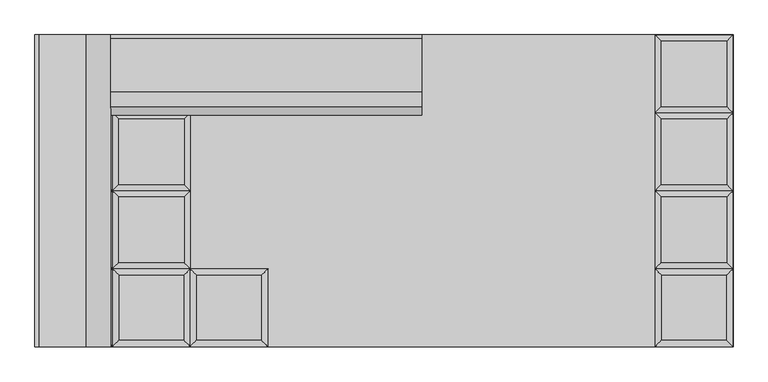
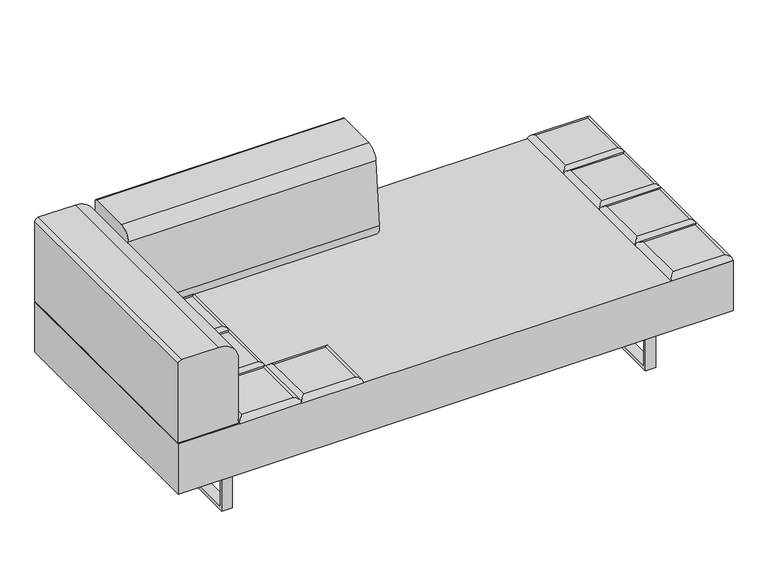
"""IFC4 building model written with IfcOpenShell, lengths in millimetres: furniture geometry."""

from ifc_helpers import new_model, si_unit, point, frame, frame_2d, origin, place, context, project, spatial, polyline, circle_curve, ellipse_curve, trimmed, segment, composite_curve, outline, extrude, source, transform, mapped, element, save
from ifc_brep_helpers import plane_surface, cylinder_surface, advanced_brep


def furniture_291711d4(model_context):
    return source(origin(), model_context, "Body", "SolidModel", [
        advanced_brep(
        [(-330.2, -222.25, 393.7), (-348.1605122, -240.2105122, 411.6605122), (-348.1605122, -426.5394878, 411.6605122), (-330.2, -444.5, 393.7), (-534.4894878, -426.5394878, 411.6605122), (-552.45, -444.5, 393.7), (-534.4894878, -240.2105122, 411.6605122), (-552.45, -222.25, 393.7)],
        [
            (0, 1, ellipse_curve(frame((-348.1605122, -240.2105122, 393.7), z_axis=(0.7071067811865475, -0.7071067811865475, 0.0), x_axis=(0.7071067811865474, 0.7071067811865476, 0.0)), 25.4, 17.9605122)),
            (1, 2),
            (2, 3, ellipse_curve(frame((-348.1605122, -426.5394878, 393.7), z_axis=(0.7071067811865475, 0.7071067811865475, 0.0), x_axis=(-0.7071067811865474, 0.7071067811865476, 0.0)), 25.4, 17.9605122)),
            (3, 0),
            (2, 4),
            (4, 5, ellipse_curve(frame((-534.4894878, -426.5394878, 393.7), z_axis=(0.7071067811865475, -0.7071067811865475, 0.0), x_axis=(0.7071067811865476, 0.7071067811865474, 0.0)), 25.4, 17.9605122)),
            (5, 3),
            (4, 6),
            (6, 7, ellipse_curve(frame((-534.4894878, -240.2105122, 393.7), z_axis=(-0.7071067811865475, -0.7071067811865475, 0.0), x_axis=(0.7071067811865474, -0.7071067811865476, 0.0)), 25.4, 17.9605122)),
            (7, 5),
            (0, 7),
            (6, 1),
        ],
        [
            cylinder_surface(frame((-348.1605122, -222.25, 393.7), z_axis=(0.0, 1.0, 0.0), x_axis=(1.0, 0.0, 0.0)), 17.9605122),
            cylinder_surface(frame((-330.2, -426.5394878, 393.7), z_axis=(1.0, 0.0, 0.0), x_axis=(0.0, -1.0, 0.0)), 17.9605122),
            cylinder_surface(frame((-534.4894878, -444.5, 393.7), z_axis=(0.0, -1.0, 0.0), x_axis=(-1.0, 0.0, 0.0)), 17.9605122),
            cylinder_surface(frame((-552.45, -240.2105122, 393.7), z_axis=(-1.0, 0.0, 0.0), x_axis=(0.0, 1.0, 0.0)), 17.9605122),
            plane_surface(frame((-552.45, -222.25, 393.7), z_axis=(0.0, 0.0, -1.0), x_axis=(1.0, 0.0, 0.0))),
            plane_surface(frame((-534.4894878, -240.2105122, 411.6605122), z_axis=(0.0, 0.0, 1.0), x_axis=(-1.0, 0.0, 0.0))),
        ],
        [
            (0, [[1, 2, 3, 4]]),
            (1, [[-3, 5, 6, 7]]),
            (2, [[-6, 8, 9, 10]]),
            (3, [[-1, 11, -9, 12]]),
            (4, [[-4, -7, -10, -11]]),
            (5, [[-2, -12, -8, -5]]),
        ],
    ),
        advanced_brep(
        [(-568.8230122, -204.2894878, 411.6605122), (-568.8230122, -17.9605122, 411.6605122), (-755.1519878, -17.9605122, 411.6605122), (-755.1519878, -204.2894878, 411.6605122), (-550.8625, 0.0, 393.7), (-550.8625, -222.25, 393.7), (-773.1125, -222.25, 393.7), (-773.1125, 0.0, 393.7)],
        [
            (0, 1),
            (1, 2),
            (2, 3),
            (3, 0),
            (4, 5),
            (5, 6),
            (6, 7),
            (7, 4),
            (4, 1, ellipse_curve(frame((-568.8230122, -17.9605122, 393.7), z_axis=(0.7071067811865475, -0.7071067811865475, 0.0), x_axis=(0.7071067811865474, 0.7071067811865476, 0.0)), 25.4, 17.9605122)),
            (0, 5, ellipse_curve(frame((-568.8230122, -204.2894878, 393.7), z_axis=(0.7071067811865475, 0.7071067811865475, 0.0), x_axis=(-0.7071067811865474, 0.7071067811865476, 0.0)), 25.4, 17.9605122)),
            (3, 6, ellipse_curve(frame((-755.1519878, -204.2894878, 393.7), z_axis=(0.7071067811865475, -0.7071067811865475, 0.0), x_axis=(0.7071067811865476, 0.7071067811865474, 0.0)), 25.4, 17.9605122)),
            (2, 7, ellipse_curve(frame((-755.1519878, -17.9605122, 393.7), z_axis=(-0.7071067811865475, -0.7071067811865475, 0.0), x_axis=(0.7071067811865474, -0.7071067811865476, 0.0)), 25.4, 17.9605122)),
        ],
        [
            plane_surface(frame((-755.1519878, -17.9605122, 411.6605122), z_axis=(0.0, 0.0, 1.0), x_axis=(-1.0, 0.0, 0.0))),
            plane_surface(frame((-755.1519878, -17.9605122, 393.7), z_axis=(0.0, 0.0, -1.0), x_axis=(1.0, 0.0, 0.0))),
            cylinder_surface(frame((-568.8230122, 0.0, 393.7), z_axis=(0.0, 1.0, 0.0), x_axis=(1.0, 0.0, 0.0)), 17.9605122),
            cylinder_surface(frame((-550.8625, -204.2894878, 393.7), z_axis=(1.0, 0.0, 0.0), x_axis=(0.0, -1.0, 0.0)), 17.9605122),
            cylinder_surface(frame((-755.1519878, -222.25, 393.7), z_axis=(0.0, -1.0, 0.0), x_axis=(-1.0, 0.0, 0.0)), 17.9605122),
            cylinder_surface(frame((-773.1125, -17.9605122, 393.7), z_axis=(-1.0, 0.0, 0.0), x_axis=(0.0, 1.0, 0.0)), 17.9605122),
        ],
        [
            (0, [[1, 2, 3, 4]]),
            (1, [[5, 6, 7, 8]]),
            (2, [[9, -1, 10, -5]]),
            (3, [[-10, -4, 11, -6]]),
            (4, [[-11, -3, 12, -7]]),
            (5, [[-9, -8, -12, -2]]),
        ],
    ),
        advanced_brep(
        [(-568.8230122, 17.9605122, 411.6605122), (-568.8230122, 204.2894878, 411.6605122), (-755.1519878, 204.2894878, 411.6605122), (-755.1519878, 17.9605122, 411.6605122), (-550.8625, 222.25, 393.7), (-550.8625, 0.0, 393.7), (-773.1125, 0.0, 393.7), (-773.1125, 222.25, 393.7)],
        [
            (0, 1),
            (1, 2),
            (2, 3),
            (3, 0),
            (4, 5),
            (5, 6),
            (6, 7),
            (7, 4),
            (4, 1, ellipse_curve(frame((-568.8230122, 204.2894878, 393.7), z_axis=(0.7071067811865475, -0.7071067811865475, 0.0), x_axis=(0.7071067811865474, 0.7071067811865476, 0.0)), 25.4, 17.9605122)),
            (0, 5, ellipse_curve(frame((-568.8230122, 17.9605122, 393.7), z_axis=(0.7071067811865475, 0.7071067811865475, 0.0), x_axis=(-0.7071067811865474, 0.7071067811865476, 0.0)), 25.4, 17.9605122)),
            (3, 6, ellipse_curve(frame((-755.1519878, 17.9605122, 393.7), z_axis=(0.7071067811865475, -0.7071067811865475, 0.0), x_axis=(0.7071067811865476, 0.7071067811865474, 0.0)), 25.4, 17.9605122)),
            (2, 7, ellipse_curve(frame((-755.1519878, 204.2894878, 393.7), z_axis=(-0.7071067811865475, -0.7071067811865475, 0.0), x_axis=(0.7071067811865474, -0.7071067811865476, 0.0)), 25.4, 17.9605122)),
        ],
        [
            plane_surface(frame((-755.1519878, 204.2894878, 411.6605122), z_axis=(0.0, 0.0, 1.0), x_axis=(-1.0, 0.0, 0.0))),
            plane_surface(frame((-755.1519878, 204.2894878, 393.7), z_axis=(0.0, 0.0, -1.0), x_axis=(1.0, 0.0, 0.0))),
            cylinder_surface(frame((-568.8230122, 222.25, 393.7), z_axis=(0.0, 1.0, 0.0), x_axis=(1.0, 0.0, 0.0)), 17.9605122),
            cylinder_surface(frame((-550.8625, 17.9605122, 393.7), z_axis=(1.0, 0.0, 0.0), x_axis=(0.0, -1.0, 0.0)), 17.9605122),
            cylinder_surface(frame((-755.1519878, 0.0, 393.7), z_axis=(0.0, -1.0, 0.0), x_axis=(-1.0, 0.0, 0.0)), 17.9605122),
            cylinder_surface(frame((-773.1125, 204.2894878, 393.7), z_axis=(-1.0, 0.0, 0.0), x_axis=(0.0, 1.0, 0.0)), 17.9605122),
        ],
        [
            (0, [[1, 2, 3, 4]]),
            (1, [[5, 6, 7, 8]]),
            (2, [[9, -1, 10, -5]]),
            (3, [[-10, -4, 11, -6]]),
            (4, [[-11, -3, 12, -7]]),
            (5, [[-9, -8, -12, -2]]),
        ],
    ),
        advanced_brep(
        [(-568.8230122, 240.2105122, 411.6605122), (-568.8230122, 426.5394878, 411.6605122), (-755.1519878, 426.5394878, 411.6605122), (-755.1519878, 240.2105122, 411.6605122), (-550.8625, 444.5, 393.7), (-550.8625, 222.25, 393.7), (-773.1125, 222.25, 393.7), (-773.1125, 444.5, 393.7)],
        [
            (0, 1),
            (1, 2),
            (2, 3),
            (3, 0),
            (4, 5),
            (5, 6),
            (6, 7),
            (7, 4),
            (4, 1, ellipse_curve(frame((-568.8230122, 426.5394878, 393.7), z_axis=(0.7071067811865475, -0.7071067811865475, 0.0), x_axis=(0.7071067811865474, 0.7071067811865476, 0.0)), 25.4, 17.9605122)),
            (0, 5, ellipse_curve(frame((-568.8230122, 240.2105122, 393.7), z_axis=(0.7071067811865475, 0.7071067811865475, 0.0), x_axis=(-0.7071067811865474, 0.7071067811865476, 0.0)), 25.4, 17.9605122)),
            (3, 6, ellipse_curve(frame((-755.1519878, 240.2105122, 393.7), z_axis=(0.7071067811865475, -0.7071067811865475, 0.0), x_axis=(0.7071067811865476, 0.7071067811865474, 0.0)), 25.4, 17.9605122)),
            (2, 7, ellipse_curve(frame((-755.1519878, 426.5394878, 393.7), z_axis=(-0.7071067811865475, -0.7071067811865475, 0.0), x_axis=(0.7071067811865474, -0.7071067811865476, 0.0)), 25.4, 17.9605122)),
        ],
        [
            plane_surface(frame((-755.1519878, 426.5394878, 411.6605122), z_axis=(0.0, 0.0, 1.0), x_axis=(-1.0, 0.0, 0.0))),
            plane_surface(frame((-755.1519878, 426.5394878, 393.7), z_axis=(0.0, 0.0, -1.0), x_axis=(1.0, 0.0, 0.0))),
            cylinder_surface(frame((-568.8230122, 444.5, 393.7), z_axis=(0.0, 1.0, 0.0), x_axis=(1.0, 0.0, 0.0)), 17.9605122),
            cylinder_surface(frame((-550.8625, 240.2105122, 393.7), z_axis=(1.0, 0.0, 0.0), x_axis=(0.0, -1.0, 0.0)), 17.9605122),
            cylinder_surface(frame((-755.1519878, 222.25, 393.7), z_axis=(0.0, -1.0, 0.0), x_axis=(-1.0, 0.0, 0.0)), 17.9605122),
            cylinder_surface(frame((-773.1125, 426.5394878, 393.7), z_axis=(-1.0, 0.0, 0.0), x_axis=(0.0, 1.0, 0.0)), 17.9605122),
        ],
        [
            (0, [[1, 2, 3, 4]]),
            (1, [[5, 6, 7, 8]]),
            (2, [[9, -1, 10, -5]]),
            (3, [[-10, -4, 11, -6]]),
            (4, [[-11, -3, 12, -7]]),
            (5, [[-9, -8, -12, -2]]),
        ],
    ),
        advanced_brep(
        [(-550.8625, -222.25, 393.7), (-568.8230122, -240.2105122, 411.6605122), (-568.8230122, -426.5394878, 411.6605122), (-550.8625, -444.5, 393.7), (-755.1519878, -426.5394878, 411.6605122), (-773.1125, -444.5, 393.7), (-755.1519878, -240.2105122, 411.6605122), (-773.1125, -222.25, 393.7)],
        [
            (0, 1, ellipse_curve(frame((-568.8230122, -240.2105122, 393.7), z_axis=(0.7071067811865475, -0.7071067811865475, 0.0), x_axis=(0.7071067811865474, 0.7071067811865476, 0.0)), 25.4, 17.9605122)),
            (1, 2),
            (2, 3, ellipse_curve(frame((-568.8230122, -426.5394878, 393.7), z_axis=(0.7071067811865475, 0.7071067811865475, 0.0), x_axis=(-0.7071067811865474, 0.7071067811865476, 0.0)), 25.4, 17.9605122)),
            (3, 0),
            (2, 4),
            (4, 5, ellipse_curve(frame((-755.1519878, -426.5394878, 393.7), z_axis=(0.7071067811865475, -0.7071067811865475, 0.0), x_axis=(0.7071067811865476, 0.7071067811865474, 0.0)), 25.4, 17.9605122)),
            (5, 3),
            (4, 6),
            (6, 7, ellipse_curve(frame((-755.1519878, -240.2105122, 393.7), z_axis=(-0.7071067811865475, -0.7071067811865475, 0.0), x_axis=(0.7071067811865474, -0.7071067811865476, 0.0)), 25.4, 17.9605122)),
            (7, 5),
            (0, 7),
            (6, 1),
        ],
        [
            cylinder_surface(frame((-568.8230122, -222.25, 393.7), z_axis=(0.0, 1.0, 0.0), x_axis=(1.0, 0.0, 0.0)), 17.9605122),
            cylinder_surface(frame((-550.8625, -426.5394878, 393.7), z_axis=(1.0, 0.0, 0.0), x_axis=(0.0, -1.0, 0.0)), 17.9605122),
            cylinder_surface(frame((-755.1519878, -444.5, 393.7), z_axis=(0.0, -1.0, 0.0), x_axis=(-1.0, 0.0, 0.0)), 17.9605122),
            cylinder_surface(frame((-773.1125, -240.2105122, 393.7), z_axis=(-1.0, 0.0, 0.0), x_axis=(0.0, 1.0, 0.0)), 17.9605122),
            plane_surface(frame((-773.1125, -222.25, 393.7), z_axis=(0.0, 0.0, -1.0), x_axis=(1.0, 0.0, 0.0))),
            plane_surface(frame((-755.1519878, -240.2105122, 411.6605122), z_axis=(0.0, 0.0, 1.0), x_axis=(-1.0, 0.0, 0.0))),
        ],
        [
            (0, [[1, 2, 3, 4]]),
            (1, [[-3, 5, 6, 7]]),
            (2, [[-6, 8, 9, 10]]),
            (3, [[-1, 11, -9, 12]]),
            (4, [[-4, -7, -10, -11]]),
            (5, [[-2, -12, -8, -5]]),
        ],
    ),
        advanced_brep(
        [(975.8144878, -204.2894878, 411.6605122), (975.8144878, -17.9605122, 411.6605122), (789.4855122, -17.9605122, 411.6605122), (789.4855122, -204.2894878, 411.6605122), (993.775, 0.0, 393.7), (993.775, -222.25, 393.7), (771.525, -222.25, 393.7), (771.525, 0.0, 393.7)],
        [
            (0, 1),
            (1, 2),
            (2, 3),
            (3, 0),
            (4, 5),
            (5, 6),
            (6, 7),
            (7, 4),
            (4, 1, ellipse_curve(frame((975.8144878, -17.9605122, 393.7), z_axis=(0.7071067811865475, -0.7071067811865475, 0.0), x_axis=(0.7071067811865474, 0.7071067811865476, 0.0)), 25.4, 17.9605122)),
            (0, 5, ellipse_curve(frame((975.8144878, -204.2894878, 393.7), z_axis=(0.7071067811865475, 0.7071067811865475, 0.0), x_axis=(-0.7071067811865474, 0.7071067811865476, 0.0)), 25.4, 17.9605122)),
            (3, 6, ellipse_curve(frame((789.4855122, -204.2894878, 393.7), z_axis=(0.7071067811865475, -0.7071067811865475, 0.0), x_axis=(0.7071067811865476, 0.7071067811865474, 0.0)), 25.4, 17.9605122)),
            (2, 7, ellipse_curve(frame((789.4855122, -17.9605122, 393.7), z_axis=(-0.7071067811865475, -0.7071067811865475, 0.0), x_axis=(0.7071067811865474, -0.7071067811865476, 0.0)), 25.4, 17.9605122)),
        ],
        [
            plane_surface(frame((789.4855122, -17.9605122, 411.6605122), z_axis=(0.0, 0.0, 1.0), x_axis=(-1.0, 0.0, 0.0))),
            plane_surface(frame((789.4855122, -17.9605122, 393.7), z_axis=(0.0, 0.0, -1.0), x_axis=(1.0, 0.0, 0.0))),
            cylinder_surface(frame((975.8144878, 0.0, 393.7), z_axis=(0.0, 1.0, 0.0), x_axis=(1.0, 0.0, 0.0)), 17.9605122),
            cylinder_surface(frame((993.775, -204.2894878, 393.7), z_axis=(1.0, 0.0, 0.0), x_axis=(0.0, -1.0, 0.0)), 17.9605122),
            cylinder_surface(frame((789.4855122, -222.25, 393.7), z_axis=(0.0, -1.0, 0.0), x_axis=(-1.0, 0.0, 0.0)), 17.9605122),
            cylinder_surface(frame((771.525, -17.9605122, 393.7), z_axis=(-1.0, 0.0, 0.0), x_axis=(0.0, 1.0, 0.0)), 17.9605122),
        ],
        [
            (0, [[1, 2, 3, 4]]),
            (1, [[5, 6, 7, 8]]),
            (2, [[9, -1, 10, -5]]),
            (3, [[-10, -4, 11, -6]]),
            (4, [[-11, -3, 12, -7]]),
            (5, [[-9, -8, -12, -2]]),
        ],
    ),
        advanced_brep(
        [(975.8144878, 17.9605122, 411.6605122), (975.8144878, 204.2894878, 411.6605122), (789.4855122, 204.2894878, 411.6605122), (789.4855122, 17.9605122, 411.6605122), (993.775, 222.25, 393.7), (993.775, 0.0, 393.7), (771.525, 0.0, 393.7), (771.525, 222.25, 393.7)],
        [
            (0, 1),
            (1, 2),
            (2, 3),
            (3, 0),
            (4, 5),
            (5, 6),
            (6, 7),
            (7, 4),
            (4, 1, ellipse_curve(frame((975.8144878, 204.2894878, 393.7), z_axis=(0.7071067811865475, -0.7071067811865475, 0.0), x_axis=(0.7071067811865474, 0.7071067811865476, 0.0)), 25.4, 17.9605122)),
            (0, 5, ellipse_curve(frame((975.8144878, 17.9605122, 393.7), z_axis=(0.7071067811865475, 0.7071067811865475, 0.0), x_axis=(-0.7071067811865474, 0.7071067811865476, 0.0)), 25.4, 17.9605122)),
            (3, 6, ellipse_curve(frame((789.4855122, 17.9605122, 393.7), z_axis=(0.7071067811865475, -0.7071067811865475, 0.0), x_axis=(0.7071067811865476, 0.7071067811865474, 0.0)), 25.4, 17.9605122)),
            (2, 7, ellipse_curve(frame((789.4855122, 204.2894878, 393.7), z_axis=(-0.7071067811865475, -0.7071067811865475, 0.0), x_axis=(0.7071067811865474, -0.7071067811865476, 0.0)), 25.4, 17.9605122)),
        ],
        [
            plane_surface(frame((789.4855122, 204.2894878, 411.6605122), z_axis=(0.0, 0.0, 1.0), x_axis=(-1.0, 0.0, 0.0))),
            plane_surface(frame((789.4855122, 204.2894878, 393.7), z_axis=(0.0, 0.0, -1.0), x_axis=(1.0, 0.0, 0.0))),
            cylinder_surface(frame((975.8144878, 222.25, 393.7), z_axis=(0.0, 1.0, 0.0), x_axis=(1.0, 0.0, 0.0)), 17.9605122),
            cylinder_surface(frame((993.775, 17.9605122, 393.7), z_axis=(1.0, 0.0, 0.0), x_axis=(0.0, -1.0, 0.0)), 17.9605122),
            cylinder_surface(frame((789.4855122, 0.0, 393.7), z_axis=(0.0, -1.0, 0.0), x_axis=(-1.0, 0.0, 0.0)), 17.9605122),
            cylinder_surface(frame((771.525, 204.2894878, 393.7), z_axis=(-1.0, 0.0, 0.0), x_axis=(0.0, 1.0, 0.0)), 17.9605122),
        ],
        [
            (0, [[1, 2, 3, 4]]),
            (1, [[5, 6, 7, 8]]),
            (2, [[9, -1, 10, -5]]),
            (3, [[-10, -4, 11, -6]]),
            (4, [[-11, -3, 12, -7]]),
            (5, [[-9, -8, -12, -2]]),
        ],
    ),
        advanced_brep(
        [(975.8144878, 240.2105122, 411.6605122), (975.8144878, 426.5394878, 411.6605122), (789.4855122, 426.5394878, 411.6605122), (789.4855122, 240.2105122, 411.6605122), (993.775, 444.5, 393.7), (993.775, 222.25, 393.7), (771.525, 222.25, 393.7), (771.525, 444.5, 393.7)],
        [
            (0, 1),
            (1, 2),
            (2, 3),
            (3, 0),
            (4, 5),
            (5, 6),
            (6, 7),
            (7, 4),
            (4, 1, ellipse_curve(frame((975.8144878, 426.5394878, 393.7), z_axis=(0.7071067811865475, -0.7071067811865475, 0.0), x_axis=(0.7071067811865474, 0.7071067811865476, 0.0)), 25.4, 17.9605122)),
            (0, 5, ellipse_curve(frame((975.8144878, 240.2105122, 393.7), z_axis=(0.7071067811865475, 0.7071067811865475, 0.0), x_axis=(-0.7071067811865474, 0.7071067811865476, 0.0)), 25.4, 17.9605122)),
            (3, 6, ellipse_curve(frame((789.4855122, 240.2105122, 393.7), z_axis=(0.7071067811865475, -0.7071067811865475, 0.0), x_axis=(0.7071067811865476, 0.7071067811865474, 0.0)), 25.4, 17.9605122)),
            (2, 7, ellipse_curve(frame((789.4855122, 426.5394878, 393.7), z_axis=(-0.7071067811865475, -0.7071067811865475, 0.0), x_axis=(0.7071067811865474, -0.7071067811865476, 0.0)), 25.4, 17.9605122)),
        ],
        [
            plane_surface(frame((789.4855122, 426.5394878, 411.6605122), z_axis=(0.0, 0.0, 1.0), x_axis=(-1.0, 0.0, 0.0))),
            plane_surface(frame((789.4855122, 426.5394878, 393.7), z_axis=(0.0, 0.0, -1.0), x_axis=(1.0, 0.0, 0.0))),
            cylinder_surface(frame((975.8144878, 444.5, 393.7), z_axis=(0.0, 1.0, 0.0), x_axis=(1.0, 0.0, 0.0)), 17.9605122),
            cylinder_surface(frame((993.775, 240.2105122, 393.7), z_axis=(1.0, 0.0, 0.0), x_axis=(0.0, -1.0, 0.0)), 17.9605122),
            cylinder_surface(frame((789.4855122, 222.25, 393.7), z_axis=(0.0, -1.0, 0.0), x_axis=(-1.0, 0.0, 0.0)), 17.9605122),
            cylinder_surface(frame((771.525, 426.5394878, 393.7), z_axis=(-1.0, 0.0, 0.0), x_axis=(0.0, 1.0, 0.0)), 17.9605122),
        ],
        [
            (0, [[1, 2, 3, 4]]),
            (1, [[5, 6, 7, 8]]),
            (2, [[9, -1, 10, -5]]),
            (3, [[-10, -4, 11, -6]]),
            (4, [[-11, -3, 12, -7]]),
            (5, [[-9, -8, -12, -2]]),
        ],
    ),
        advanced_brep(
        [(993.775, -222.25, 393.7), (975.8144878, -240.2105122, 411.6605122), (975.8144878, -426.5394878, 411.6605122), (993.775, -444.5, 393.7), (789.4855122, -426.5394878, 411.6605122), (771.525, -444.5, 393.7), (789.4855122, -240.2105122, 411.6605122), (771.525, -222.25, 393.7)],
        [
            (0, 1, ellipse_curve(frame((975.8144878, -240.2105122, 393.7), z_axis=(0.7071067811865475, -0.7071067811865475, 0.0), x_axis=(0.7071067811865474, 0.7071067811865476, 0.0)), 25.4, 17.9605122)),
            (1, 2),
            (2, 3, ellipse_curve(frame((975.8144878, -426.5394878, 393.7), z_axis=(0.7071067811865475, 0.7071067811865475, 0.0), x_axis=(-0.7071067811865474, 0.7071067811865476, 0.0)), 25.4, 17.9605122)),
            (3, 0),
            (2, 4),
            (4, 5, ellipse_curve(frame((789.4855122, -426.5394878, 393.7), z_axis=(0.7071067811865475, -0.7071067811865475, 0.0), x_axis=(0.7071067811865476, 0.7071067811865474, 0.0)), 25.4, 17.9605122)),
            (5, 3),
            (4, 6),
            (6, 7, ellipse_curve(frame((789.4855122, -240.2105122, 393.7), z_axis=(-0.7071067811865475, -0.7071067811865475, 0.0), x_axis=(0.7071067811865474, -0.7071067811865476, 0.0)), 25.4, 17.9605122)),
            (7, 5),
            (0, 7),
            (6, 1),
        ],
        [
            cylinder_surface(frame((975.8144878, -222.25, 393.7), z_axis=(0.0, 1.0, 0.0), x_axis=(1.0, 0.0, 0.0)), 17.9605122),
            cylinder_surface(frame((993.775, -426.5394878, 393.7), z_axis=(1.0, 0.0, 0.0), x_axis=(0.0, -1.0, 0.0)), 17.9605122),
            cylinder_surface(frame((789.4855122, -444.5, 393.7), z_axis=(0.0, -1.0, 0.0), x_axis=(-1.0, 0.0, 0.0)), 17.9605122),
            cylinder_surface(frame((771.525, -240.2105122, 393.7), z_axis=(-1.0, 0.0, 0.0), x_axis=(0.0, 1.0, 0.0)), 17.9605122),
            plane_surface(frame((771.525, -222.25, 393.7), z_axis=(0.0, 0.0, -1.0), x_axis=(1.0, 0.0, 0.0))),
            plane_surface(frame((789.4855122, -240.2105122, 411.6605122), z_axis=(0.0, 0.0, 1.0), x_axis=(-1.0, 0.0, 0.0))),
        ],
        [
            (0, [[1, 2, 3, 4]]),
            (1, [[-3, 5, 6, 7]]),
            (2, [[-6, 8, 9, 10]]),
            (3, [[-1, 11, -9, 12]]),
            (4, [[-4, -7, -10, -11]]),
            (5, [[-2, -12, -8, -5]]),
        ],
    ),
        advanced_brep(
        [(-789.4855122, -204.2894878, 411.6605122), (-789.4855122, -17.9605122, 411.6605122), (-975.8144878, -17.9605122, 411.6605122), (-975.8144878, -204.2894878, 411.6605122), (-771.525, 0.0, 393.7), (-771.525, -222.25, 393.7), (-993.775, -222.25, 393.7), (-993.775, 0.0, 393.7)],
        [
            (0, 1),
            (1, 2),
            (2, 3),
            (3, 0),
            (4, 5),
            (5, 6),
            (6, 7),
            (7, 4),
            (4, 1, ellipse_curve(frame((-789.4855122, -17.9605122, 393.7), z_axis=(0.7071067811865475, -0.7071067811865475, 0.0), x_axis=(0.7071067811865474, 0.7071067811865476, 0.0)), 25.4, 17.9605122)),
            (0, 5, ellipse_curve(frame((-789.4855122, -204.2894878, 393.7), z_axis=(0.7071067811865475, 0.7071067811865475, 0.0), x_axis=(-0.7071067811865474, 0.7071067811865476, 0.0)), 25.4, 17.9605122)),
            (3, 6, ellipse_curve(frame((-975.8144878, -204.2894878, 393.7), z_axis=(0.7071067811865475, -0.7071067811865475, 0.0), x_axis=(0.7071067811865476, 0.7071067811865474, 0.0)), 25.4, 17.9605122)),
            (2, 7, ellipse_curve(frame((-975.8144878, -17.9605122, 393.7), z_axis=(-0.7071067811865475, -0.7071067811865475, 0.0), x_axis=(0.7071067811865474, -0.7071067811865476, 0.0)), 25.4, 17.9605122)),
        ],
        [
            plane_surface(frame((-975.8144878, -17.9605122, 411.6605122), z_axis=(0.0, 0.0, 1.0), x_axis=(-1.0, 0.0, 0.0))),
            plane_surface(frame((-975.8144878, -17.9605122, 393.7), z_axis=(0.0, 0.0, -1.0), x_axis=(1.0, 0.0, 0.0))),
            cylinder_surface(frame((-789.4855122, 0.0, 393.7), z_axis=(0.0, 1.0, 0.0), x_axis=(1.0, 0.0, 0.0)), 17.9605122),
            cylinder_surface(frame((-771.525, -204.2894878, 393.7), z_axis=(1.0, 0.0, 0.0), x_axis=(0.0, -1.0, 0.0)), 17.9605122),
            cylinder_surface(frame((-975.8144878, -222.25, 393.7), z_axis=(0.0, -1.0, 0.0), x_axis=(-1.0, 0.0, 0.0)), 17.9605122),
            cylinder_surface(frame((-993.775, -17.9605122, 393.7), z_axis=(-1.0, 0.0, 0.0), x_axis=(0.0, 1.0, 0.0)), 17.9605122),
        ],
        [
            (0, [[1, 2, 3, 4]]),
            (1, [[5, 6, 7, 8]]),
            (2, [[9, -1, 10, -5]]),
            (3, [[-10, -4, 11, -6]]),
            (4, [[-11, -3, 12, -7]]),
            (5, [[-9, -8, -12, -2]]),
        ],
    ),
        advanced_brep(
        [(-789.4855122, 17.9605122, 411.6605122), (-789.4855122, 204.2894878, 411.6605122), (-975.8144878, 204.2894878, 411.6605122), (-975.8144878, 17.9605122, 411.6605122), (-771.525, 222.25, 393.7), (-771.525, 0.0, 393.7), (-993.775, 0.0, 393.7), (-993.775, 222.25, 393.7)],
        [
            (0, 1),
            (1, 2),
            (2, 3),
            (3, 0),
            (4, 5),
            (5, 6),
            (6, 7),
            (7, 4),
            (4, 1, ellipse_curve(frame((-789.4855122, 204.2894878, 393.7), z_axis=(0.7071067811865475, -0.7071067811865475, 0.0), x_axis=(0.7071067811865474, 0.7071067811865476, 0.0)), 25.4, 17.9605122)),
            (0, 5, ellipse_curve(frame((-789.4855122, 17.9605122, 393.7), z_axis=(0.7071067811865475, 0.7071067811865475, 0.0), x_axis=(-0.7071067811865474, 0.7071067811865476, 0.0)), 25.4, 17.9605122)),
            (3, 6, ellipse_curve(frame((-975.8144878, 17.9605122, 393.7), z_axis=(0.7071067811865475, -0.7071067811865475, 0.0), x_axis=(0.7071067811865476, 0.7071067811865474, 0.0)), 25.4, 17.9605122)),
            (2, 7, ellipse_curve(frame((-975.8144878, 204.2894878, 393.7), z_axis=(-0.7071067811865475, -0.7071067811865475, 0.0), x_axis=(0.7071067811865474, -0.7071067811865476, 0.0)), 25.4, 17.9605122)),
        ],
        [
            plane_surface(frame((-975.8144878, 204.2894878, 411.6605122), z_axis=(0.0, 0.0, 1.0), x_axis=(-1.0, 0.0, 0.0))),
            plane_surface(frame((-975.8144878, 204.2894878, 393.7), z_axis=(0.0, 0.0, -1.0), x_axis=(1.0, 0.0, 0.0))),
            cylinder_surface(frame((-789.4855122, 222.25, 393.7), z_axis=(0.0, 1.0, 0.0), x_axis=(1.0, 0.0, 0.0)), 17.9605122),
            cylinder_surface(frame((-771.525, 17.9605122, 393.7), z_axis=(1.0, 0.0, 0.0), x_axis=(0.0, -1.0, 0.0)), 17.9605122),
            cylinder_surface(frame((-975.8144878, 0.0, 393.7), z_axis=(0.0, -1.0, 0.0), x_axis=(-1.0, 0.0, 0.0)), 17.9605122),
            cylinder_surface(frame((-993.775, 204.2894878, 393.7), z_axis=(-1.0, 0.0, 0.0), x_axis=(0.0, 1.0, 0.0)), 17.9605122),
        ],
        [
            (0, [[1, 2, 3, 4]]),
            (1, [[5, 6, 7, 8]]),
            (2, [[9, -1, 10, -5]]),
            (3, [[-10, -4, 11, -6]]),
            (4, [[-11, -3, 12, -7]]),
            (5, [[-9, -8, -12, -2]]),
        ],
    ),
        advanced_brep(
        [(-789.4855122, 240.2105122, 411.6605122), (-789.4855122, 426.5394878, 411.6605122), (-975.8144878, 426.5394878, 411.6605122), (-975.8144878, 240.2105122, 411.6605122), (-771.525, 444.5, 393.7), (-771.525, 222.25, 393.7), (-993.775, 222.25, 393.7), (-993.775, 444.5, 393.7)],
        [
            (0, 1),
            (1, 2),
            (2, 3),
            (3, 0),
            (4, 5),
            (5, 6),
            (6, 7),
            (7, 4),
            (4, 1, ellipse_curve(frame((-789.4855122, 426.5394878, 393.7), z_axis=(0.7071067811865475, -0.7071067811865475, 0.0), x_axis=(0.7071067811865474, 0.7071067811865476, 0.0)), 25.4, 17.9605122)),
            (0, 5, ellipse_curve(frame((-789.4855122, 240.2105122, 393.7), z_axis=(0.7071067811865475, 0.7071067811865475, 0.0), x_axis=(-0.7071067811865474, 0.7071067811865476, 0.0)), 25.4, 17.9605122)),
            (3, 6, ellipse_curve(frame((-975.8144878, 240.2105122, 393.7), z_axis=(0.7071067811865475, -0.7071067811865475, 0.0), x_axis=(0.7071067811865476, 0.7071067811865474, 0.0)), 25.4, 17.9605122)),
            (2, 7, ellipse_curve(frame((-975.8144878, 426.5394878, 393.7), z_axis=(-0.7071067811865475, -0.7071067811865475, 0.0), x_axis=(0.7071067811865474, -0.7071067811865476, 0.0)), 25.4, 17.9605122)),
        ],
        [
            plane_surface(frame((-975.8144878, 426.5394878, 411.6605122), z_axis=(0.0, 0.0, 1.0), x_axis=(-1.0, 0.0, 0.0))),
            plane_surface(frame((-975.8144878, 426.5394878, 393.7), z_axis=(0.0, 0.0, -1.0), x_axis=(1.0, 0.0, 0.0))),
            cylinder_surface(frame((-789.4855122, 444.5, 393.7), z_axis=(0.0, 1.0, 0.0), x_axis=(1.0, 0.0, 0.0)), 17.9605122),
            cylinder_surface(frame((-771.525, 240.2105122, 393.7), z_axis=(1.0, 0.0, 0.0), x_axis=(0.0, -1.0, 0.0)), 17.9605122),
            cylinder_surface(frame((-975.8144878, 222.25, 393.7), z_axis=(0.0, -1.0, 0.0), x_axis=(-1.0, 0.0, 0.0)), 17.9605122),
            cylinder_surface(frame((-993.775, 426.5394878, 393.7), z_axis=(-1.0, 0.0, 0.0), x_axis=(0.0, 1.0, 0.0)), 17.9605122),
        ],
        [
            (0, [[1, 2, 3, 4]]),
            (1, [[5, 6, 7, 8]]),
            (2, [[9, -1, 10, -5]]),
            (3, [[-10, -4, 11, -6]]),
            (4, [[-11, -3, 12, -7]]),
            (5, [[-9, -8, -12, -2]]),
        ],
    ),
        advanced_brep(
        [(-771.525, -222.25, 393.7), (-789.4855122, -240.2105122, 411.6605122), (-789.4855122, -426.5394878, 411.6605122), (-771.525, -444.5, 393.7), (-975.8144878, -426.5394878, 411.6605122), (-993.775, -444.5, 393.7), (-975.8144878, -240.2105122, 411.6605122), (-993.775, -222.25, 393.7)],
        [
            (0, 1, ellipse_curve(frame((-789.4855122, -240.2105122, 393.7), z_axis=(0.7071067811865475, -0.7071067811865475, 0.0), x_axis=(0.7071067811865474, 0.7071067811865476, 0.0)), 25.4, 17.9605122)),
            (1, 2),
            (2, 3, ellipse_curve(frame((-789.4855122, -426.5394878, 393.7), z_axis=(0.7071067811865475, 0.7071067811865475, 0.0), x_axis=(-0.7071067811865474, 0.7071067811865476, 0.0)), 25.4, 17.9605122)),
            (3, 0),
            (2, 4),
            (4, 5, ellipse_curve(frame((-975.8144878, -426.5394878, 393.7), z_axis=(0.7071067811865475, -0.7071067811865475, 0.0), x_axis=(0.7071067811865476, 0.7071067811865474, 0.0)), 25.4, 17.9605122)),
            (5, 3),
            (4, 6),
            (6, 7, ellipse_curve(frame((-975.8144878, -240.2105122, 393.7), z_axis=(-0.7071067811865475, -0.7071067811865475, 0.0), x_axis=(0.7071067811865474, -0.7071067811865476, 0.0)), 25.4, 17.9605122)),
            (7, 5),
            (0, 7),
            (6, 1),
        ],
        [
            cylinder_surface(frame((-789.4855122, -222.25, 393.7), z_axis=(0.0, 1.0, 0.0), x_axis=(1.0, 0.0, 0.0)), 17.9605122),
            cylinder_surface(frame((-771.525, -426.5394878, 393.7), z_axis=(1.0, 0.0, 0.0), x_axis=(0.0, -1.0, 0.0)), 17.9605122),
            cylinder_surface(frame((-975.8144878, -444.5, 393.7), z_axis=(0.0, -1.0, 0.0), x_axis=(-1.0, 0.0, 0.0)), 17.9605122),
            cylinder_surface(frame((-993.775, -240.2105122, 393.7), z_axis=(-1.0, 0.0, 0.0), x_axis=(0.0, 1.0, 0.0)), 17.9605122),
            plane_surface(frame((-993.775, -222.25, 393.7), z_axis=(0.0, 0.0, -1.0), x_axis=(1.0, 0.0, 0.0))),
            plane_surface(frame((-975.8144878, -240.2105122, 411.6605122), z_axis=(0.0, 0.0, 1.0), x_axis=(-1.0, 0.0, 0.0))),
        ],
        [
            (0, [[1, 2, 3, 4]]),
            (1, [[-3, 5, 6, 7]]),
            (2, [[-6, 8, 9, 10]]),
            (3, [[-1, 11, -9, 12]]),
            (4, [[-4, -7, -10, -11]]),
            (5, [[-2, -12, -8, -5]]),
        ],
    ),
        extrude(outline(polyline([(-339.4724839, 0.0), (-339.4724839, 203.2), (341.6588694, 203.2), (341.6588694, 0.0), (-339.4724839, 0.0)]), holes=[polyline([(-326.7724839, 190.5), (-326.7724839, 12.7), (328.9588694, 12.7), (328.9588694, 190.5), (-326.7724839, 190.5)])]), frame((-777.875, 0.0, 0.0), z_axis=(1.0, 0.0, 0.0), x_axis=(0.0, 1.0, 0.0)), (0.0, 0.0, 1.0), 38.0999535),
        extrude(outline(polyline([(-339.4724839, 203.2), (341.6588694, 203.2), (341.6588694, 0.0), (-339.4724839, 0.0), (-339.4724839, 203.2)]), holes=[polyline([(-326.7724839, 12.7), (328.9588694, 12.7), (328.9588694, 190.5), (-326.7724839, 190.5), (-326.7724839, 12.7)])]), frame((739.7750465, 0.0, 0.0), z_axis=(1.0, 0.0, 0.0), x_axis=(0.0, 1.0, 0.0)), (0.0, 0.0, 1.0), 38.0999535),
        extrude(outline(polyline([(993.775, 444.5), (993.775, -444.5), (-993.775, -444.5), (-993.775, 444.5), (993.775, 444.5)])), frame((0.0, 0.0, 203.2), z_axis=(0.0, 0.0, 1.0), x_axis=(1.0, 0.0, 0.0)), (0.0, 0.0, 1.0), 190.5),
        extrude(outline(composite_curve([segment(polyline([(444.5, 393.7), (232.6067514, 393.7)]), True, "CONTINUOUS"), segment(trimmed(circle_curve(frame_2d((263.4189927, 430.9463408)), 48.3392606), [point((232.6067514, 393.7))], [point((215.3053904, 435.6116811))], False, "CARTESIAN"), True, "CONTINUOUS"), segment(polyline([(215.3053904, 435.6116811), (237.9512344, 669.1580194)]), True, "CONTINUOUS"), segment(trimmed(circle_curve(frame_2d((282.1937319, 664.8680412)), 44.45), [point((237.9512344, 669.1580194))], [point((282.1937319, 709.3180412))], False, "CARTESIAN"), True, "CONTINUOUS"), segment(polyline([(282.1937319, 709.3180412), (434.544558, 709.3180412)]), True, "CONTINUOUS"), segment(trimmed(circle_curve(frame_2d((434.544558, 699.3625993)), 9.955442), [point((434.544558, 709.3180412))], [point((444.5, 699.3625993))], False, "CARTESIAN"), True, "CONTINUOUS"), segment(polyline([(444.5, 699.3625993), (444.5, 393.7)]), True, "CONTINUOUS")], self_intersect=False)), frame((-777.875, 0.0, 0.0), z_axis=(1.0, 0.0, 0.0), x_axis=(0.0, 1.0, 0.0)), (0.0, 0.0, 1.0), 885.825),
        extrude(outline(composite_curve([segment(polyline([(696.9125, -993.775), (393.7, -993.775), (393.7, -777.875), (639.7622655, -777.875)]), True, "CONTINUOUS"), segment(trimmed(circle_curve(frame_2d((639.7622655, -847.7252345)), 69.8502345), [point((639.7622655, -777.875))], [point((709.6125, -847.7252345))], False, "CARTESIAN"), True, "CONTINUOUS"), segment(polyline([(709.6125, -847.7252345), (709.6125, -981.075)]), True, "CONTINUOUS"), segment(trimmed(circle_curve(frame_2d((696.9125, -981.075)), 12.7), [point((709.6125, -981.075))], [point((696.9125, -993.775))], False, "CARTESIAN"), True, "CONTINUOUS")], self_intersect=False)), frame((0.0, -444.5, 0.0), z_axis=(0.0, 1.0, 0.0), x_axis=(0.0, 0.0, 1.0)), (0.0, 0.0, 1.0), 889.0),
    ])


if __name__ == "__main__":
    model = new_model("IFC4")
    model_context = context("Model", 3, world=origin())
    ifc_project = project(units=[si_unit("LENGTHUNIT", "METRE", prefix="MILLI")], contexts=[model_context])
    site = spatial("IfcSite", under=ifc_project)
    building = spatial("IfcBuilding", under=site)
    placement = place(None, origin())
    furniture_shape = furniture_291711d4(model_context)
    element("IfcFurniture", 1, at=placement, inside=building, context=model_context, shape_type="MappedRepresentation", body=[
        mapped(furniture_shape, transform((0.0, 0.0, 0.0), x_axis=(1.0, 0.0, 0.0), y_axis=(0.0, 1.0, 0.0), z_axis=(0.0, 0.0, 1.0))),
    ])
    save(model, "model.ifc")
